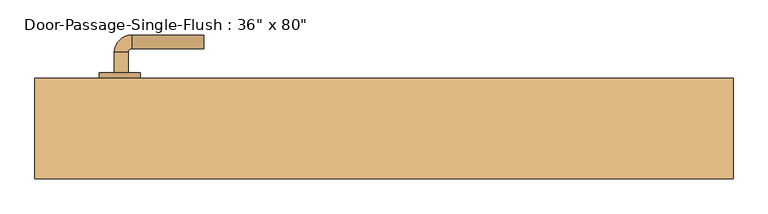
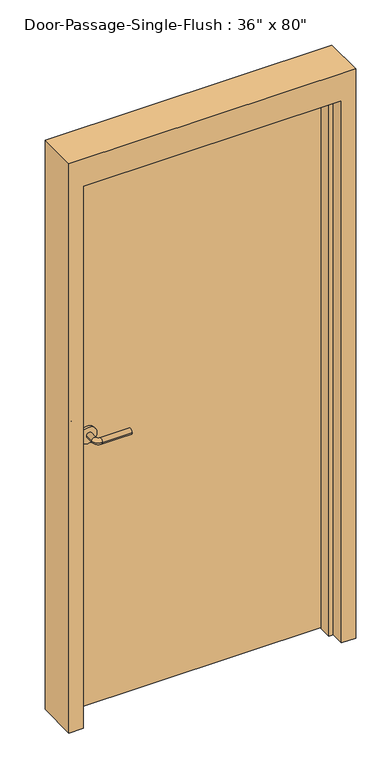
"""IFC4 building model written with IfcOpenShell, lengths in millimetres: door geometry."""

from ifc_helpers import new_model, si_unit, point, frame, frame_2d, origin, origin_with_axes, place, context, project, spatial, polyline, circle_curve, ellipse_curve, trimmed, segment, composite_curve, outline, extrude, faceted_brep, source, transform, mapped, element, save
from ifc_brep_helpers import plane_surface, cylinder_surface, revolved_surface, advanced_brep


def door_889b8c73(model_context):
    return source(origin(), model_context, "Body", "SolidModel", [
        advanced_brep(
        [(-392.190625, 30.1, 1016.0), (-372.190625, 30.1, 1016.0), (-372.190625, 0.1, 1016.0), (-392.190625, 0.1, 1016.0), (-367.190625, -4.9, 1016.0), (-367.190625, -24.9, 1016.0), (-262.190625, -24.9, 1016.0), (-262.190625, -4.9, 1016.0)],
        [
            (0, 1, circle_curve(frame((-382.190625, 30.1, 1016.0), z_axis=(0.0, 1.0, 0.0), x_axis=(1.0, 0.0, 0.0)), 10.0)),
            (1, 0, circle_curve(frame((-382.190625, 30.1, 1016.0), z_axis=(0.0, 1.0, 0.0), x_axis=(1.0, 0.0, 0.0)), 10.0)),
            (1, 2),
            (2, 3, circle_curve(frame((-382.190625, 0.1, 1016.0), z_axis=(0.0, 1.0, 0.0), x_axis=(1.0, 0.0, 0.0)), 10.0)),
            (3, 0),
            (3, 2, circle_curve(frame((-382.190625, 0.1, 1016.0), z_axis=(0.0, 1.0, 0.0), x_axis=(1.0, 0.0, 0.0)), 10.0)),
            (4, 5, circle_curve(frame((-367.190625, -14.9, 1016.0), z_axis=(-1.0, 0.0, 0.0), x_axis=(0.0, 1.0, 0.0)), 10.0)),
            (5, 3, circle_curve(frame((-367.190625, 0.1, 1016.0), z_axis=(0.0, 0.0, -1.0), x_axis=(-1.0, 0.0, 0.0)), 25.0)),
            (2, 4, circle_curve(frame((-367.190625, 0.1, 1016.0), z_axis=(0.0, 0.0, 1.0), x_axis=(-1.0, 0.0, 0.0)), 5.0)),
            (5, 4, circle_curve(frame((-367.190625, -14.9, 1016.0), z_axis=(-1.0, 0.0, 0.0), x_axis=(0.0, 1.0, 0.0)), 10.0)),
            (6, 7, circle_curve(frame((-262.190625, -14.9, 1016.0), z_axis=(1.0, 0.0, 0.0), x_axis=(0.0, 1.0, 0.0)), 10.0)),
            (7, 6, circle_curve(frame((-262.190625, -14.9, 1016.0), z_axis=(1.0, 0.0, 0.0), x_axis=(0.0, 1.0, 0.0)), 10.0)),
            (4, 7),
            (6, 5),
        ],
        [
            plane_surface(frame((-382.190625, 30.1, 1016.0), z_axis=(0.0, 1.0, 0.0), x_axis=(0.0, 0.0, 1.0))),
            cylinder_surface(frame((-382.190625, 30.1, 1016.0), z_axis=(0.0, 1.0, 0.0), x_axis=(1.0, 0.0, 0.0)), 10.0),
            revolved_surface(trimmed(ellipse_curve(frame((-382.190625, 0.1, 1016.0), z_axis=(0.0, -1.0, 0.0), x_axis=(1.0, 0.0, 0.0)), 10.0, 10.0), [point((-392.190625, 0.1, 1016.0))], [point((-372.190625, 0.1, 1016.0))], True, "CARTESIAN"), (-367.190625, 0.1, 1016.0), (0.0, 0.0, -1.0)),
            revolved_surface(trimmed(ellipse_curve(frame((-382.190625, 0.1, 1016.0), z_axis=(0.0, -1.0, 0.0), x_axis=(1.0, 0.0, 0.0)), 10.0, 10.0), [point((-372.190625, 0.1, 1016.0))], [point((-392.190625, 0.1, 1016.0))], True, "CARTESIAN"), (-367.190625, 0.1, 1016.0), (0.0, 0.0, -1.0)),
            plane_surface(frame((-262.190625, -14.9, 1016.0), z_axis=(1.0, 0.0, 0.0), x_axis=(0.0, 0.0, 1.0))),
            cylinder_surface(frame((-367.190625, -14.9, 1016.0), z_axis=(-1.0, 0.0, 0.0), x_axis=(0.0, 1.0, 0.0)), 10.0),
        ],
        [
            (0, [[1, 2]]),
            (1, [[3, 4, 5, -2]]),
            (1, [[-5, 6, -3, -1]]),
            (2, [[7, 8, -4, 9]]),
            (3, [[10, -9, -6, -8]]),
            (4, [[11, 12]]),
            (5, [[13, -11, 14, -7]]),
            (5, [[-14, -12, -13, -10]]),
        ],
    ),
        extrude(outline(composite_curve([segment(trimmed(circle_curve(frame_2d((1016.0, -384.690625)), 30.0), [point((1016.0, -414.690625))], [point((1016.0, -354.690625))], False, "CARTESIAN"), True, "CONTINUOUS"), segment(trimmed(circle_curve(frame_2d((1016.0, -384.690625)), 30.0), [point((1016.0, -354.690625))], [point((1016.0, -414.690625))], False, "CARTESIAN"), True, "CONTINUOUS")], self_intersect=False)), frame((0.0, 30.1, 0.0), z_axis=(0.0, 1.0, 0.0), x_axis=(0.0, 0.0, 1.0)), (0.0, 0.0, 1.0), 8.0),
        advanced_brep(
        [(-392.190625, 90.55, 1016.0), (-372.190625, 90.55, 1016.0), (-392.190625, 120.55, 1016.0), (-372.190625, 120.55, 1016.0), (-367.190625, 125.55, 1016.0), (-367.190625, 145.55, 1016.0), (-262.190625, 145.55, 1016.0), (-262.190625, 125.55, 1016.0)],
        [
            (0, 1, circle_curve(frame((-382.190625, 90.55, 1016.0), z_axis=(0.0, -1.0, 0.0), x_axis=(1.0, 0.0, 0.0)), 10.0)),
            (1, 0, circle_curve(frame((-382.190625, 90.55, 1016.0), z_axis=(0.0, -1.0, 0.0), x_axis=(1.0, 0.0, 0.0)), 10.0)),
            (0, 2),
            (2, 3, circle_curve(frame((-382.190625, 120.55, 1016.0), z_axis=(0.0, -1.0, 0.0), x_axis=(1.0, 0.0, 0.0)), 10.0)),
            (3, 1),
            (3, 2, circle_curve(frame((-382.190625, 120.55, 1016.0), z_axis=(0.0, -1.0, 0.0), x_axis=(1.0, 0.0, 0.0)), 10.0)),
            (4, 3, circle_curve(frame((-367.190625, 120.55, 1016.0), z_axis=(0.0, 0.0, 1.0), x_axis=(-1.0, 0.0, 0.0)), 5.0)),
            (2, 5, circle_curve(frame((-367.190625, 120.55, 1016.0), z_axis=(0.0, 0.0, -1.0), x_axis=(-1.0, 0.0, 0.0)), 25.0)),
            (5, 4, circle_curve(frame((-367.190625, 135.55, 1016.0), z_axis=(-1.0, 0.0, 0.0), x_axis=(0.0, -1.0, 0.0)), 10.0)),
            (4, 5, circle_curve(frame((-367.190625, 135.55, 1016.0), z_axis=(-1.0, 0.0, 0.0), x_axis=(0.0, -1.0, 0.0)), 10.0)),
            (6, 7, circle_curve(frame((-262.190625, 135.55, 1016.0), z_axis=(1.0, 0.0, 0.0), x_axis=(0.0, -1.0, 0.0)), 10.0)),
            (7, 6, circle_curve(frame((-262.190625, 135.55, 1016.0), z_axis=(1.0, 0.0, 0.0), x_axis=(0.0, -1.0, 0.0)), 10.0)),
            (5, 6),
            (7, 4),
        ],
        [
            plane_surface(frame((-382.190625, 90.55, 1016.0), z_axis=(0.0, -1.0, 0.0), x_axis=(0.0, 0.0, 1.0))),
            cylinder_surface(frame((-382.190625, 90.55, 1016.0), z_axis=(0.0, -1.0, 0.0), x_axis=(1.0, 0.0, 0.0)), 10.0),
            revolved_surface(trimmed(ellipse_curve(frame((-382.190625, 120.55, 1016.0), z_axis=(0.0, -1.0, 0.0), x_axis=(1.0, 0.0, 0.0)), 10.0, 10.0), [point((-392.190625, 120.55, 1016.0))], [point((-372.190625, 120.55, 1016.0))], True, "CARTESIAN"), (-367.190625, 120.55, 1016.0), (0.0, 0.0, -1.0)),
            revolved_surface(trimmed(ellipse_curve(frame((-382.190625, 120.55, 1016.0), z_axis=(0.0, -1.0, 0.0), x_axis=(1.0, 0.0, 0.0)), 10.0, 10.0), [point((-372.190625, 120.55, 1016.0))], [point((-392.190625, 120.55, 1016.0))], True, "CARTESIAN"), (-367.190625, 120.55, 1016.0), (0.0, 0.0, -1.0)),
            plane_surface(frame((-262.190625, 135.55, 1016.0), z_axis=(1.0, 0.0, 0.0), x_axis=(0.0, 0.0, 1.0))),
            cylinder_surface(frame((-367.190625, 135.55, 1016.0), z_axis=(-1.0, 0.0, 0.0), x_axis=(0.0, -1.0, 0.0)), 10.0),
        ],
        [
            (0, [[1, 2]]),
            (1, [[-1, 3, 4, 5]]),
            (1, [[-2, -5, 6, -3]]),
            (2, [[7, -4, 8, 9]]),
            (3, [[-8, -6, -7, 10]]),
            (4, [[11, 12]]),
            (5, [[-9, 13, -12, 14]]),
            (5, [[-10, -14, -11, -13]]),
        ],
    ),
        extrude(outline(composite_curve([segment(trimmed(circle_curve(frame_2d((1016.0, -384.690625)), 30.0), [point((1016.0, -414.690625))], [point((1016.0, -354.690625))], False, "CARTESIAN"), True, "CONTINUOUS"), segment(trimmed(circle_curve(frame_2d((1016.0, -384.690625)), 30.0), [point((1016.0, -354.690625))], [point((1016.0, -414.690625))], False, "CARTESIAN"), True, "CONTINUOUS")], self_intersect=False)), frame((0.0, 82.55, 0.0), z_axis=(0.0, 1.0, 0.0), x_axis=(0.0, 0.0, 1.0)), (0.0, 0.0, 1.0), 8.0),
        faceted_brep([(457.2, 33.3375, 0.0), (457.2, 82.55, 0.0), (508.0, 82.55, 0.0), (508.0, -63.5, 0.0), (457.2, -63.5, 0.0), (457.2, -14.2875, 0.0), (441.325, -14.2875, 0.0), (441.325, 33.3375, 0.0), (457.2, 33.3375, 2032.0), (457.2, 82.55, 2032.0), (-457.2, 82.55, 2032.0), (-457.2, 82.55, 0.0), (-508.0, 82.55, 0.0), (-508.0, 82.55, 2133.6), (508.0, 82.55, 2133.6), (508.0, -63.5, 2133.6), (-508.0, -63.5, 2133.6), (-508.0, -63.5, 0.0), (-457.2, -63.5, 0.0), (-457.2, -63.5, 2032.0), (457.2, -63.5, 2032.0), (457.2, -14.2875, 2032.0), (-457.2, -14.2875, 2032.0), (-457.2, -14.2875, 0.0), (-441.325, -14.2875, 0.0), (-441.325, -14.2875, 2016.125), (441.325, -14.2875, 2016.125), (441.325, 33.3375, 2016.125), (-441.325, 33.3375, 2016.125), (-441.325, 33.3375, 0.0), (-457.2, 33.3375, 0.0), (-457.2, 33.3375, 2032.0)], [[[0, 1, 2, 3, 4, 5, 6, 7]], [[1, 0, 8, 9]], [[2, 1, 9, 10, 11, 12, 13, 14]], [[3, 2, 14, 15]], [[4, 3, 15, 16, 17, 18, 19, 20]], [[5, 4, 20, 21]], [[6, 5, 21, 22, 23, 24, 25, 26]], [[7, 6, 26, 27]], [[0, 7, 27, 28, 29, 30, 31, 8]], [[9, 8, 31, 10]], [[20, 19, 22, 21]], [[26, 25, 28, 27]], [[12, 11, 30, 29, 24, 23, 18, 17]], [[11, 10, 31, 30]], [[13, 12, 17, 16]], [[19, 18, 23, 22]], [[25, 24, 29, 28]], [[15, 14, 13, 16]]]),
        extrude(outline(polyline([(457.2, 38.1), (-457.2, 38.1), (-457.2, 82.55), (457.2, 82.55), (457.2, 38.1)])), origin_with_axes(), (0.0, 0.0, 1.0), 2032.0),
    ])


if __name__ == "__main__":
    model = new_model("IFC4")
    model_context = context("Model", 3, world=origin())
    ifc_project = project(units=[si_unit("LENGTHUNIT", "METRE", prefix="MILLI")], contexts=[model_context])
    site = spatial("IfcSite", under=ifc_project)
    building = spatial("IfcBuilding", under=site)
    placement = place(None, origin())
    door_shape = door_889b8c73(model_context)
    element("IfcDoor", 1, ObjectType="Door-Passage-Single-Flush : 36\" x 80\"", at=placement, inside=building, context=model_context, shape_type="MappedRepresentation", body=[
        mapped(door_shape, transform((0.0, 0.0, 0.0), x_axis=(1.0, 0.0, 0.0), y_axis=(0.0, 1.0, 0.0), z_axis=(0.0, 0.0, 1.0))),
    ])
    save(model, "model.ifc")
